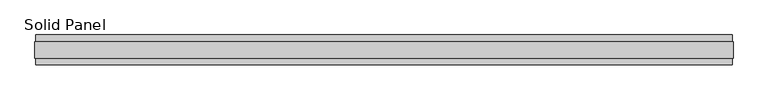
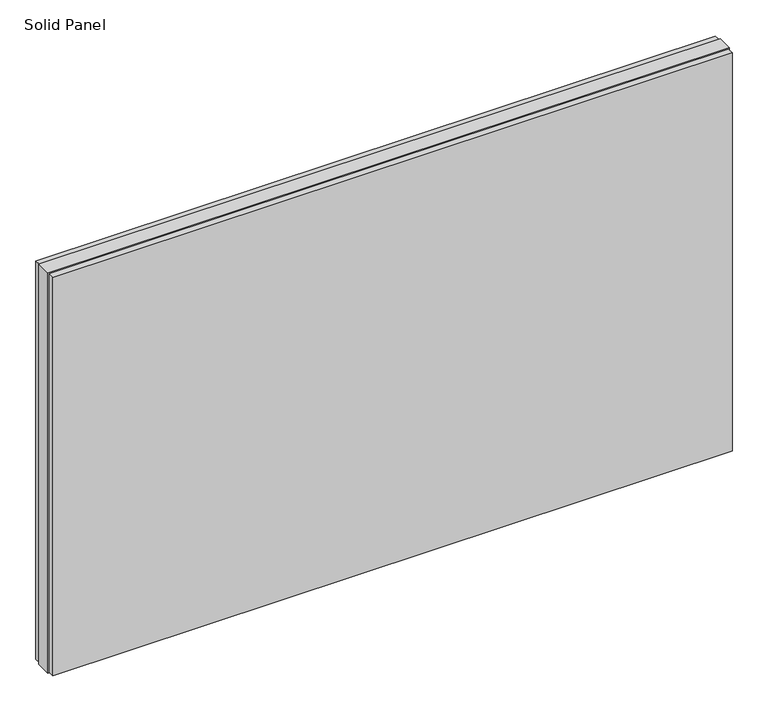
"""IFC4 building model written with IfcOpenShell, lengths in millimetres: plate geometry, Solid Panel."""

from ifc_helpers import new_model, si_unit, frame, origin, origin_with_axes, place, context, project, spatial, polyline, outline, extrude, source, transform, mapped, element, save


def solid_panel_15975b08(model_context):
    return source(origin(), model_context, "Body", "SweptSolid", [
        extrude(outline(polyline([(1121.6926164, -48.4531867), (-1121.6926164, -48.4531867), (-1121.6926164, -25.9961), (1121.6926164, -25.9961), (1121.6926164, -48.4531867)])), frame((0.0, 0.0, 3.0099), z_axis=(0.0, 0.0, 1.0), x_axis=(1.0, 0.0, 0.0)), (0.0, 0.0, 1.0), 1390.9802),
        extrude(outline(polyline([(1121.6926164, 25.9977), (-1121.6926164, 25.9977), (-1121.6926164, 48.4547867), (1121.6926164, 48.4547867), (1121.6926164, 25.9977)])), frame((0.0, 0.0, 3.0099), z_axis=(0.0, 0.0, 1.0), x_axis=(1.0, 0.0, 0.0)), (0.0, 0.0, 1.0), 1390.9802),
        extrude(outline(polyline([(1124.6898164, -25.9961), (-1124.6898164, -25.9961), (-1124.6898164, 25.9977), (1124.6898164, 25.9977), (1124.6898164, -25.9961)])), origin_with_axes(), (0.0, 0.0, 1.0), 1397.0),
    ])


if __name__ == "__main__":
    model = new_model("IFC4")
    model_context = context("Model", 3, world=origin())
    ifc_project = project(units=[si_unit("LENGTHUNIT", "METRE", prefix="MILLI")], contexts=[model_context])
    site = spatial("IfcSite", under=ifc_project)
    building = spatial("IfcBuilding", under=site)
    placement = place(None, origin())
    solid_panel_shape = solid_panel_15975b08(model_context)
    element("IfcPlate", 1, ObjectType="Solid Panel", at=placement, inside=building, context=model_context, shape_type="MappedRepresentation", body=[
        mapped(solid_panel_shape, transform((0.0, 0.0, 0.0), x_axis=(1.0, 0.0, 0.0), y_axis=(0.0, 1.0, 0.0), z_axis=(0.0, 0.0, 1.0))),
    ])
    save(model, "model.ifc")
